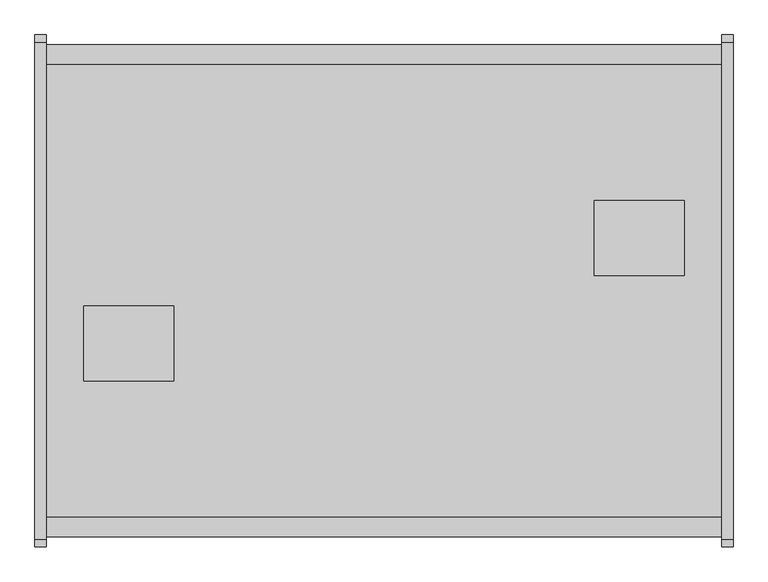
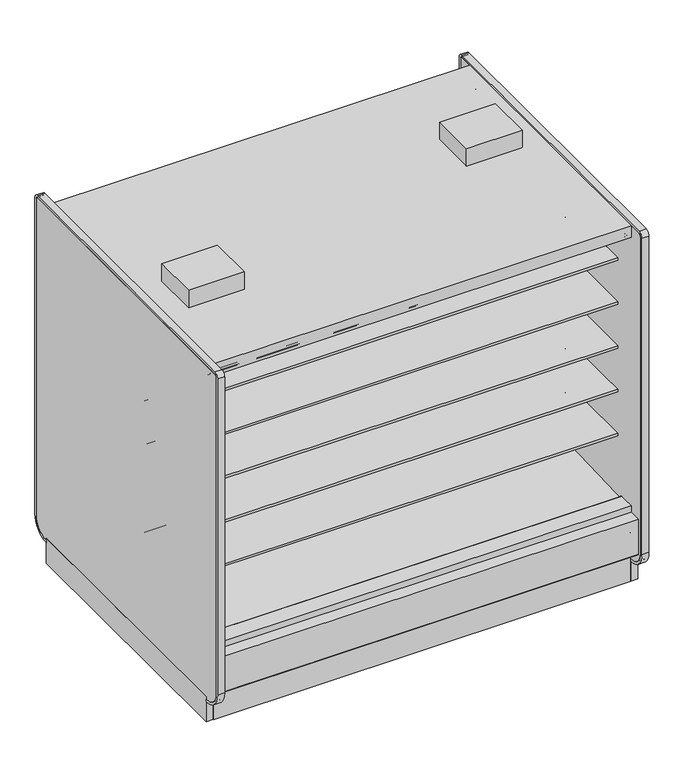
"""IFC4 building model written with IfcOpenShell, lengths in millimetres: proxy geometry."""

from ifc_helpers import new_model, si_unit, point, frame, frame_2d, origin, origin_with_axes, place, context, project, spatial, polyline, circle_curve, trimmed, segment, composite_curve, outline, extrude, source, transform, mapped, element, save
from ifc_brep_helpers import plane_surface, revolved_surface, advanced_brep


def mechanical_equipment_ee89954a(model_context):
    return source(origin(), model_context, "Body", "SolidModel", [
        extrude(outline(polyline([(0.0, -55.2269619), (0.0, 0.0), (2286.0, 0.0), (2286.0, -55.2269619), (0.0, -55.2269619)])), frame((2286.0, 269.4010876, 1960.5227388), z_axis=(0.0, -0.08121412725315148, 0.9966966767951566), x_axis=(-1.0, 0.0, 0.0)), (0.0, 0.0, 1.0), 9.7968943),
        extrude(outline(polyline([(0.0, -55.226962), (0.0, 0.0), (2286.0, 0.0), (2286.0, -55.226962), (0.0, -55.226962)])), frame((2286.0, -1070.8468716, 1965.0079483), z_axis=(0.0, 0.08121412725315148, 0.9966966767951566), x_axis=(-1.0, 0.0, 0.0)), (0.0, 0.0, 1.0), 9.7968943),
        extrude(outline(polyline([(-1113.7914467, 0.0), (-1132.0256273, 0.0), (-1132.0256273, 208.2950835), (-1113.7914467, 192.9947894), (-1113.7914467, 0.0)])), frame((0.0, 0.0, 0.0), z_axis=(1.0, 0.0, 0.0), x_axis=(0.0, 1.0, 0.0)), (0.0, 0.0, 1.0), 2286.0),
        extrude(outline(polyline([(367.3901921, 0.0), (367.3901921, 192.9947894), (385.6243727, 208.2950835), (385.6243727, 0.0), (367.3901921, 0.0)])), frame((0.0, 0.0, 0.0), z_axis=(1.0, 0.0, 0.0), x_axis=(0.0, 1.0, 0.0)), (0.0, 0.0, 1.0), 2286.0),
        extrude(outline(composite_curve([segment(polyline([(-292.5492106, 1191.008004), (-292.5492106, 1291.8182795), (266.2507894, 1291.8182795), (266.2507894, 1278.3245295), (145.7947875, 1278.3245295), (145.7947875, 1274.0402031), (-193.6128858, 1241.429713)]), True, "CONTINUOUS"), segment(trimmed(circle_curve(frame_2d((-186.7598764, 1178.3005893)), 63.5), [point((-193.6128858, 1241.429713))], [point((-226.8243495, 1227.5660741))], True, "CARTESIAN"), True, "CONTINUOUS"), segment(polyline([(-226.8243495, 1227.5660741), (-265.0460501, 1196.4828055)]), True, "CONTINUOUS"), segment(trimmed(circle_curve(frame_2d((-280.9533727, 1215.8477147)), 25.0607786), [point((-265.0460501, 1196.4828055))], [point((-281.4413184, 1190.7916869))], False, "CARTESIAN"), True, "CONTINUOUS"), segment(polyline([(-281.4413184, 1190.7916869), (-292.5492106, 1191.008004)]), True, "CONTINUOUS")], self_intersect=False)), frame((0.0, 0.0, 0.0), z_axis=(1.0, 0.0, 0.0), x_axis=(0.0, 1.0, 0.0)), (0.0, 0.0, 1.0), 2286.0),
        extrude(outline(composite_curve([segment(polyline([(-292.5492106, 1699.008004), (-292.5492106, 1799.8182795), (266.2507894, 1799.8182795), (266.2507894, 1786.3245295), (145.7947875, 1786.3245295), (145.7947875, 1782.0402031), (-193.6128858, 1749.429713)]), True, "CONTINUOUS"), segment(trimmed(circle_curve(frame_2d((-186.7598764, 1686.3005893)), 63.5), [point((-193.6128858, 1749.429713))], [point((-226.8243495, 1735.5660741))], True, "CARTESIAN"), True, "CONTINUOUS"), segment(polyline([(-226.8243495, 1735.5660741), (-265.0460501, 1704.4828055)]), True, "CONTINUOUS"), segment(trimmed(circle_curve(frame_2d((-280.9533727, 1723.8477147)), 25.0607786), [point((-265.0460501, 1704.4828055))], [point((-281.4413184, 1698.7916869))], False, "CARTESIAN"), True, "CONTINUOUS"), segment(polyline([(-281.4413184, 1698.7916869), (-292.5492106, 1699.008004)]), True, "CONTINUOUS")], self_intersect=False)), frame((0.0, 0.0, 0.0), z_axis=(1.0, 0.0, 0.0), x_axis=(0.0, 1.0, 0.0)), (0.0, 0.0, 1.0), 2286.0),
        extrude(outline(composite_curve([segment(polyline([(-292.5492106, 937.4028663), (-292.5492106, 1038.2131418), (266.2507894, 1038.2131418), (266.2507894, 1024.7193918), (145.7947875, 1024.7193918), (145.7947875, 1020.4350654), (-193.6128858, 987.8245753)]), True, "CONTINUOUS"), segment(trimmed(circle_curve(frame_2d((-186.7598764, 924.6954515)), 63.5), [point((-193.6128858, 987.8245753))], [point((-226.8243495, 973.9609363))], True, "CARTESIAN"), True, "CONTINUOUS"), segment(polyline([(-226.8243495, 973.9609363), (-265.0460501, 942.8776678)]), True, "CONTINUOUS"), segment(trimmed(circle_curve(frame_2d((-280.9533727, 962.242577)), 25.0607786), [point((-265.0460501, 942.8776678))], [point((-281.4413184, 937.1865491))], False, "CARTESIAN"), True, "CONTINUOUS"), segment(polyline([(-281.4413184, 937.1865491), (-292.5492106, 937.4028663)]), True, "CONTINUOUS")], self_intersect=False)), frame((0.0, 0.0, 0.0), z_axis=(1.0, 0.0, 0.0), x_axis=(0.0, 1.0, 0.0)), (0.0, 0.0, 1.0), 2286.0),
        extrude(outline(composite_curve([segment(polyline([(-292.5492106, 1445.008004), (-292.5492106, 1545.8182795), (266.2507894, 1545.8182795), (266.2507894, 1532.3245295), (145.7947875, 1532.3245295), (145.7947875, 1528.0402031), (-193.6128858, 1495.429713)]), True, "CONTINUOUS"), segment(trimmed(circle_curve(frame_2d((-186.7598764, 1432.3005893)), 63.5), [point((-193.6128858, 1495.429713))], [point((-226.8243495, 1481.5660741))], True, "CARTESIAN"), True, "CONTINUOUS"), segment(polyline([(-226.8243495, 1481.5660741), (-265.0460501, 1450.4828055)]), True, "CONTINUOUS"), segment(trimmed(circle_curve(frame_2d((-280.9533727, 1469.8477147)), 25.0607786), [point((-265.0460501, 1450.4828055))], [point((-281.4413184, 1444.7916869))], False, "CARTESIAN"), True, "CONTINUOUS"), segment(polyline([(-281.4413184, 1444.7916869), (-292.5492106, 1445.008004)]), True, "CONTINUOUS")], self_intersect=False)), frame((0.0, 0.0, 0.0), z_axis=(1.0, 0.0, 0.0), x_axis=(0.0, 1.0, 0.0)), (0.0, 0.0, 1.0), 2286.0),
        extrude(outline(composite_curve([segment(polyline([(-292.5492106, 683.008004), (-292.5492106, 783.8182795), (266.2507894, 783.8182795), (266.2507894, 770.3245295), (145.7947875, 770.3245295), (145.7947875, 766.0402031), (-193.6128858, 733.429713)]), True, "CONTINUOUS"), segment(trimmed(circle_curve(frame_2d((-186.7598764, 670.3005893)), 63.5), [point((-193.6128858, 733.429713))], [point((-226.8243495, 719.5660741))], True, "CARTESIAN"), True, "CONTINUOUS"), segment(polyline([(-226.8243495, 719.5660741), (-265.0460501, 688.4828055)]), True, "CONTINUOUS"), segment(trimmed(circle_curve(frame_2d((-280.9533727, 707.8477147)), 25.0607786), [point((-265.0460501, 688.4828055))], [point((-281.4413184, 682.7916869))], False, "CARTESIAN"), True, "CONTINUOUS"), segment(polyline([(-281.4413184, 682.7916869), (-292.5492106, 683.008004)]), True, "CONTINUOUS")], self_intersect=False)), frame((0.0, 0.0, 0.0), z_axis=(1.0, 0.0, 0.0), x_axis=(0.0, 1.0, 0.0)), (0.0, 0.0, 1.0), 2286.0),
        extrude(outline(composite_curve([segment(polyline([(-453.852044, 1191.008004), (-464.9599362, 1190.7916869)]), True, "CONTINUOUS"), segment(trimmed(circle_curve(frame_2d((-465.4478819, 1215.8477147)), 25.0607786), [point((-464.9599362, 1190.7916869))], [point((-481.3552045, 1196.4828055))], False, "CARTESIAN"), True, "CONTINUOUS"), segment(polyline([(-481.3552045, 1196.4828055), (-519.5769051, 1227.5660741)]), True, "CONTINUOUS"), segment(trimmed(circle_curve(frame_2d((-559.6413782, 1178.3005893)), 63.5), [point((-519.5769051, 1227.5660741))], [point((-552.7883688, 1241.429713))], True, "CARTESIAN"), True, "CONTINUOUS"), segment(polyline([(-552.7883688, 1241.429713), (-892.1960421, 1274.0402031), (-892.1960421, 1278.3245295), (-1012.652044, 1278.3245295), (-1012.652044, 1291.8182795), (-453.852044, 1291.8182795), (-453.852044, 1191.008004)]), True, "CONTINUOUS")], self_intersect=False)), frame((0.0, 0.0, 0.0), z_axis=(1.0, 0.0, 0.0), x_axis=(0.0, 1.0, 0.0)), (0.0, 0.0, 1.0), 2286.0),
        extrude(outline(composite_curve([segment(polyline([(-453.852044, 1699.008004), (-464.9599362, 1698.7916869)]), True, "CONTINUOUS"), segment(trimmed(circle_curve(frame_2d((-465.4478819, 1723.8477147)), 25.0607786), [point((-464.9599362, 1698.7916869))], [point((-481.3552045, 1704.4828055))], False, "CARTESIAN"), True, "CONTINUOUS"), segment(polyline([(-481.3552045, 1704.4828055), (-519.5769051, 1735.5660741)]), True, "CONTINUOUS"), segment(trimmed(circle_curve(frame_2d((-559.6413782, 1686.3005893)), 63.5), [point((-519.5769051, 1735.5660741))], [point((-552.7883688, 1749.429713))], True, "CARTESIAN"), True, "CONTINUOUS"), segment(polyline([(-552.7883688, 1749.429713), (-892.1960421, 1782.0402031), (-892.1960421, 1786.3245295), (-1012.652044, 1786.3245295), (-1012.652044, 1799.8182795), (-453.852044, 1799.8182795), (-453.852044, 1699.008004)]), True, "CONTINUOUS")], self_intersect=False)), frame((0.0, 0.0, 0.0), z_axis=(1.0, 0.0, 0.0), x_axis=(0.0, 1.0, 0.0)), (0.0, 0.0, 1.0), 2286.0),
        extrude(outline(composite_curve([segment(polyline([(-453.852044, 937.4028663), (-464.9599362, 937.1865491)]), True, "CONTINUOUS"), segment(trimmed(circle_curve(frame_2d((-465.4478819, 962.242577)), 25.0607786), [point((-464.9599362, 937.1865491))], [point((-481.3552045, 942.8776678))], False, "CARTESIAN"), True, "CONTINUOUS"), segment(polyline([(-481.3552045, 942.8776678), (-519.5769051, 973.9609363)]), True, "CONTINUOUS"), segment(trimmed(circle_curve(frame_2d((-559.6413782, 924.6954515)), 63.5), [point((-519.5769051, 973.9609363))], [point((-552.7883688, 987.8245753))], True, "CARTESIAN"), True, "CONTINUOUS"), segment(polyline([(-552.7883688, 987.8245753), (-892.1960421, 1020.4350654), (-892.1960421, 1024.7193918), (-1012.652044, 1024.7193918), (-1012.652044, 1038.2131418), (-453.852044, 1038.2131418), (-453.852044, 937.4028663)]), True, "CONTINUOUS")], self_intersect=False)), frame((0.0, 0.0, 0.0), z_axis=(1.0, 0.0, 0.0), x_axis=(0.0, 1.0, 0.0)), (0.0, 0.0, 1.0), 2286.0),
        extrude(outline(composite_curve([segment(polyline([(-453.852044, 1445.008004), (-464.9599362, 1444.7916869)]), True, "CONTINUOUS"), segment(trimmed(circle_curve(frame_2d((-465.4478819, 1469.8477147)), 25.0607786), [point((-464.9599362, 1444.7916869))], [point((-481.3552045, 1450.4828055))], False, "CARTESIAN"), True, "CONTINUOUS"), segment(polyline([(-481.3552045, 1450.4828055), (-519.5769051, 1481.5660741)]), True, "CONTINUOUS"), segment(trimmed(circle_curve(frame_2d((-559.6413782, 1432.3005893)), 63.5), [point((-519.5769051, 1481.5660741))], [point((-552.7883688, 1495.429713))], True, "CARTESIAN"), True, "CONTINUOUS"), segment(polyline([(-552.7883688, 1495.429713), (-892.1960421, 1528.0402031), (-892.1960421, 1532.3245295), (-1012.652044, 1532.3245295), (-1012.652044, 1545.8182795), (-453.852044, 1545.8182795), (-453.852044, 1445.008004)]), True, "CONTINUOUS")], self_intersect=False)), frame((0.0, 0.0, 0.0), z_axis=(1.0, 0.0, 0.0), x_axis=(0.0, 1.0, 0.0)), (0.0, 0.0, 1.0), 2286.0),
        extrude(outline(polyline([(127.0, -678.0076294), (127.0, -424.0076294), (431.8, -424.0076294), (431.8, -678.0076294), (127.0, -678.0076294)])), frame((0.0, 0.0, 2064.6129579), z_axis=(0.0, 0.0, 1.0), x_axis=(1.0, 0.0, 0.0)), (0.0, 0.0, 1.0), 100.3101563),
        extrude(outline(polyline([(2159.0, -68.4076294), (2159.0, -322.4076294), (1854.2, -322.4076294), (1854.2, -68.4076294), (2159.0, -68.4076294)])), frame((0.0, 0.0, 2064.6129579), z_axis=(0.0, 0.0, 1.0), x_axis=(1.0, 0.0, 0.0)), (0.0, 0.0, 1.0), 100.3101563),
        extrude(outline(composite_curve([segment(polyline([(-113.5046773, 1969.4201079), (-292.5492106, 1969.4201079), (-292.5492106, 445.9092331), (-344.0537782, 445.9092331), (-344.0537782, 1994.8201079), (357.6691327, 1994.8201079), (357.6691327, 1988.6654182)]), True, "CONTINUOUS"), segment(trimmed(circle_curve(frame_2d((355.1291327, 1988.6654182)), 2.54), [point((357.6691327, 1988.6654182))], [point((355.1291327, 1986.1254182))], False, "CARTESIAN"), True, "CONTINUOUS"), segment(polyline([(355.1291327, 1986.1254182), (341.1591327, 1986.1254182)]), True, "CONTINUOUS"), segment(trimmed(circle_curve(frame_2d((341.1591327, 1983.5854182)), 2.54), [point((341.1591327, 1986.1254182))], [point((338.6191327, 1983.5854182))], True, "CARTESIAN"), True, "CONTINUOUS"), segment(polyline([(338.6191327, 1983.5854182), (338.6191327, 1967.9723079)]), True, "CONTINUOUS"), segment(trimmed(circle_curve(frame_2d((336.0791327, 1967.9723079)), 2.54), [point((338.6191327, 1967.9723079))], [point((336.0791327, 1965.4323079))], False, "CARTESIAN"), True, "CONTINUOUS"), segment(polyline([(336.0791327, 1965.4323079), (326.8589327, 1965.4323079)]), True, "CONTINUOUS"), segment(trimmed(circle_curve(frame_2d((326.8589327, 1967.9723079)), 2.54), [point((326.8589327, 1965.4323079))], [point((324.3189327, 1967.9723079))], False, "CARTESIAN"), True, "CONTINUOUS"), segment(polyline([(324.3189327, 1967.9723079), (324.3189327, 1975.6233702), (268.3517007, 1971.0629758), (268.3793925, 1969.4201079), (-113.5046773, 1969.4201079)]), True, "CONTINUOUS")], self_intersect=False)), frame((0.0, 0.0, 0.0), z_axis=(1.0, 0.0, 0.0), x_axis=(0.0, 1.0, 0.0)), (0.0, 0.0, 1.0), 2286.0),
        extrude(outline(composite_curve([segment(polyline([(-292.5492106, 445.9092331), (298.0007894, 423.8521774), (298.0007894, 439.1279)]), True, "CONTINUOUS"), segment(trimmed(circle_curve(frame_2d((300.0581894, 439.1279)), 2.0574), [point((298.0007894, 439.1279))], [point((300.0581894, 441.1853))], False, "CARTESIAN"), True, "CONTINUOUS"), segment(polyline([(300.0581894, 441.1853), (392.3576928, 441.1853), (392.3576928, 284.6079278), (278.9642261, 189.4595117), (263.4186894, 190.0023738), (218.0664947, 157.1934642), (153.5641842, 159.4459345), (113.4809582, 192.9404113), (-344.0537782, 220.4377575), (-344.0537782, 445.9092331), (-292.5492106, 445.9092331)]), True, "CONTINUOUS")], self_intersect=False)), frame((0.0, 0.0, 0.0), z_axis=(1.0, 0.0, 0.0), x_axis=(0.0, 1.0, 0.0)), (0.0, 0.0, 1.0), 2286.0),
        extrude(outline(composite_curve([segment(polyline([(-453.852044, 683.008004), (-464.9599362, 682.7916869)]), True, "CONTINUOUS"), segment(trimmed(circle_curve(frame_2d((-465.4478819, 707.8477147)), 25.0607786), [point((-464.9599362, 682.7916869))], [point((-481.3552045, 688.4828055))], False, "CARTESIAN"), True, "CONTINUOUS"), segment(polyline([(-481.3552045, 688.4828055), (-519.5769051, 719.5660741)]), True, "CONTINUOUS"), segment(trimmed(circle_curve(frame_2d((-559.6413782, 670.3005893)), 63.5), [point((-519.5769051, 719.5660741))], [point((-552.7883688, 733.429713))], True, "CARTESIAN"), True, "CONTINUOUS"), segment(polyline([(-552.7883688, 733.429713), (-892.1960421, 766.0402031), (-892.1960421, 770.3245295), (-1012.652044, 770.3245295), (-1012.652044, 783.8182795), (-453.852044, 783.8182795), (-453.852044, 683.008004)]), True, "CONTINUOUS")], self_intersect=False)), frame((0.0, 0.0, 0.0), z_axis=(1.0, 0.0, 0.0), x_axis=(0.0, 1.0, 0.0)), (0.0, 0.0, 1.0), 2286.0),
        extrude(outline(composite_curve([segment(trimmed(circle_curve(frame_2d((-1200.2881273, 201.3982889)), 6.35), [point((-1197.1139382, 195.8985595))], [point((-1206.6381273, 201.3982889))], False, "CARTESIAN"), True, "CONTINUOUS"), segment(polyline([(-1206.6381273, 201.3982889), (-1206.6381273, 404.6728), (-1138.7589474, 404.6728), (-1138.7589474, 391.9982), (-1189.8487273, 391.9982), (-1189.8487273, 256.8144254), (-1149.7974725, 223.2074323), (-1197.1139382, 195.8985595)]), True, "CONTINUOUS")], self_intersect=False)), frame((0.0, 0.0, 0.0), z_axis=(1.0, 0.0, 0.0), x_axis=(0.0, 1.0, 0.0)), (0.0, 0.0, 1.0), 2286.0),
        extrude(outline(composite_curve([segment(polyline([(450.7126836, 195.8985595), (403.3962179, 223.2074323), (443.4474727, 256.8144254), (443.4474727, 391.9982), (392.3576928, 391.9982), (392.3576928, 404.6728), (460.2368727, 404.6728), (460.2368727, 201.3982889)]), True, "CONTINUOUS"), segment(trimmed(circle_curve(frame_2d((453.8868727, 201.3982889)), 6.35), [point((460.2368727, 201.3982889))], [point((450.7126836, 195.8985595))], False, "CARTESIAN"), True, "CONTINUOUS")], self_intersect=False)), frame((0.0, 0.0, 0.0), z_axis=(1.0, 0.0, 0.0), x_axis=(0.0, 1.0, 0.0)), (0.0, 0.0, 1.0), 2286.0),
        extrude(outline(polyline([(-1039.3495247, 130.5306), (-1189.8487273, 256.8144254), (-1189.8487273, 391.9982), (-1138.7589474, 391.9982), (-1138.7589474, 284.6079278), (-1025.3654807, 189.4595117), (-1009.819944, 190.0023738), (-964.4677493, 157.1934642), (-899.9654388, 159.4459345), (-859.8822128, 192.9404113), (-402.3474764, 220.4377575), (-402.3474764, 1994.8201079), (-1138.7589474, 1994.8201079), (-1138.7589474, 2063.8192079), (392.3576928, 2063.8192079), (392.3576928, 1994.8201079), (-344.0537782, 1994.8201079), (-344.0537782, 220.4377575), (113.4809582, 192.9404113), (153.5641842, 159.4459345), (218.0664947, 157.1934642), (263.4186894, 190.0023738), (278.9642261, 189.4595117), (392.3576928, 284.6079278), (392.3576928, 391.9982), (443.4474727, 391.9982), (443.4474727, 256.8144254), (292.9482701, 130.5306), (-1039.3495247, 130.5306)])), frame((0.0, 0.0, 0.0), z_axis=(1.0, 0.0, 0.0), x_axis=(0.0, 1.0, 0.0)), (0.0, 0.0, 1.0), 2286.0),
        extrude(outline(composite_curve([segment(polyline([(-632.8965773, 1969.4201079), (-1014.7806471, 1969.4201079), (-1014.7529553, 1971.0629758), (-1070.7201873, 1975.6233702), (-1070.7201873, 1967.9723079)]), True, "CONTINUOUS"), segment(trimmed(circle_curve(frame_2d((-1073.2601873, 1967.9723079)), 2.54), [point((-1070.7201873, 1967.9723079))], [point((-1073.2601873, 1965.4323079))], False, "CARTESIAN"), True, "CONTINUOUS"), segment(polyline([(-1073.2601873, 1965.4323079), (-1082.4803873, 1965.4323079)]), True, "CONTINUOUS"), segment(trimmed(circle_curve(frame_2d((-1082.4803873, 1967.9723079)), 2.54), [point((-1082.4803873, 1965.4323079))], [point((-1085.0203873, 1967.9723079))], False, "CARTESIAN"), True, "CONTINUOUS"), segment(polyline([(-1085.0203873, 1967.9723079), (-1085.0203873, 1983.3544856)]), True, "CONTINUOUS"), segment(trimmed(circle_curve(frame_2d((-1087.5603873, 1983.3544856)), 2.54), [point((-1085.0203873, 1983.3544856))], [point((-1087.5603873, 1985.8944856))], True, "CARTESIAN"), True, "CONTINUOUS"), segment(polyline([(-1087.5603873, 1985.8944856), (-1101.5303873, 1985.8944856)]), True, "CONTINUOUS"), segment(trimmed(circle_curve(frame_2d((-1101.5303873, 1988.4344856)), 2.54), [point((-1101.5303873, 1985.8944856))], [point((-1104.0703873, 1988.4344856))], False, "CARTESIAN"), True, "CONTINUOUS"), segment(polyline([(-1104.0703873, 1988.4344856), (-1104.0703873, 1994.8201079), (-402.3474764, 1994.8201079), (-402.3474764, 445.9092331), (-453.852044, 445.9092331), (-453.852044, 1969.4201079), (-632.8965773, 1969.4201079)]), True, "CONTINUOUS")], self_intersect=False)), frame((0.0, 0.0, 0.0), z_axis=(1.0, 0.0, 0.0), x_axis=(0.0, 1.0, 0.0)), (0.0, 0.0, 1.0), 2286.0),
        advanced_brep(
        [(2286.0, -1113.7914467, 192.9947894), (2286.0, -1113.7914467, 0.0), (2286.0, -967.2684832, 0.0), (2286.0, -967.2684832, 130.5306), (2286.0, -1039.3495247, 130.5306), (0.0, -1113.7914467, 192.9947894), (0.0, -1039.3495247, 130.5306), (0.0, -967.2684832, 130.5306), (0.0, -967.2684832, 0.0), (0.0, -1113.7914467, 0.0), (245.6409893, -1113.7914467, 0.0), (245.6409893, -1113.7914467, 50.8), (466.3154811, -1113.7914467, 50.8), (466.3154811, -1113.7914467, 0.0), (466.3154811, -1038.8597182, 0.0), (245.6409893, -1038.8597182, 0.0), (1102.6679654, -967.2684832, 0.0), (1183.3320346, -967.2684832, 0.0), (2022.7614416, -967.2684832, 0.0), (2107.9135584, -967.2684832, 0.0), (2107.9135584, -967.2684832, 127.0), (2022.7614416, -967.2684832, 127.0), (1183.3320346, -967.2684832, 127.0), (1102.6679654, -967.2684832, 127.0), (466.3154811, -1038.8597182, 50.8), (245.6409893, -1038.8597182, 50.8)],
        [
            (0, 1),
            (1, 2),
            (2, 3),
            (3, 4),
            (4, 0),
            (5, 6),
            (6, 7),
            (7, 8),
            (8, 9),
            (9, 5),
            (0, 5),
            (9, 10),
            (10, 11),
            (11, 12),
            (12, 13),
            (13, 1),
            (13, 14),
            (14, 15),
            (15, 10),
            (8, 16),
            (16, 17, circle_curve(frame((1143.0, -936.3821273, 0.0), z_axis=(0.0, 0.0, 1.0), x_axis=(1.0, 0.0, 0.0)), 50.8)),
            (17, 18),
            (18, 19, circle_curve(frame((2065.3375, -939.5571273, 0.0), z_axis=(0.0, 0.0, 1.0), x_axis=(1.0, 0.0, 0.0)), 50.8)),
            (19, 2),
            (19, 20),
            (20, 21),
            (21, 18),
            (17, 22),
            (22, 23),
            (23, 16),
            (7, 3),
            (6, 4),
            (12, 24),
            (24, 14),
            (15, 25),
            (25, 11),
            (24, 25),
            (22, 23, circle_curve(frame((1143.0, -936.3821273, 127.0), z_axis=(0.0, 0.0, -1.0), x_axis=(1.0, 0.0, 0.0)), 50.8)),
            (20, 21, circle_curve(frame((2065.3375, -939.5571273, 127.0), z_axis=(0.0, 0.0, -1.0), x_axis=(1.0, 0.0, 0.0)), 50.8)),
        ],
        [
            plane_surface(frame((2286.0, -1113.7914467, 0.0), z_axis=(1.0, 0.0, 0.0), x_axis=(0.0, 0.0, -1.0))),
            plane_surface(frame((0.0, -1113.7914467, 0.0), z_axis=(-1.0, 0.0, 0.0), x_axis=(0.0, 0.0, 1.0))),
            plane_surface(frame((2286.0, -1113.7914467, 192.9947894), z_axis=(0.0, -1.0, 0.0), x_axis=(-1.0, 0.0, 0.0))),
            plane_surface(frame((2286.0, -1113.7914467, 0.0), z_axis=(0.0, 0.0, -1.0), x_axis=(-1.0, 0.0, 0.0))),
            plane_surface(frame((2286.0, -967.2684832, 0.0), z_axis=(0.0, 1.0, 0.0), x_axis=(-1.0, 0.0, 0.0))),
            plane_surface(frame((2286.0, -967.2684832, 130.5306), z_axis=(0.0, 0.0, 1.0), x_axis=(-1.0, 0.0, 0.0))),
            plane_surface(frame((2286.0, -1039.3495247, 130.5306), z_axis=(0.0, 0.6427876096877102, 0.7660444431179956), x_axis=(-1.0, 0.0, 0.0))),
            plane_surface(frame((466.3154811, -1038.8597182, 0.0), z_axis=(-1.0, 0.0, 0.0), x_axis=(0.0, 1.0, 0.0))),
            plane_surface(frame((245.6409893, -1038.8597182, 0.0), z_axis=(1.0, 0.0, 0.0), x_axis=(0.0, -1.0, 0.0))),
            plane_surface(frame((466.3154811, -1038.8597182, 0.0), z_axis=(0.0, -1.0, 0.0), x_axis=(-1.0, 0.0, 0.0))),
            plane_surface(frame((466.3154811, -1038.8597182, 50.8), z_axis=(0.0, 0.0, -1.0), x_axis=(-1.0, 0.0, 0.0))),
            plane_surface(frame((1193.8, -936.3821273, 127.0), z_axis=(0.0, 0.0, -1.0), x_axis=(0.0, 1.0, 0.0))),
            revolved_surface(polyline([(1193.8, -936.3821273, 127.0), (1193.8, -936.3821273, 0.0)]), (1143.0, -936.3821273, 0.0), (0.0, 0.0, 1.0)),
            plane_surface(frame((2116.1375, -939.5571273, 127.0), z_axis=(0.0, 0.0, -1.0), x_axis=(0.0, 1.0, 0.0))),
            revolved_surface(polyline([(2116.1375000000003, -939.5571273, 127.0), (2116.1375000000003, -939.5571273, 0.0)]), (2065.3375, -939.5571273, 0.0), (0.0, 0.0, 1.0)),
        ],
        [
            (0, [[1, 2, 3, 4, 5]]),
            (1, [[6, 7, 8, 9, 10]]),
            (2, [[-1, 11, -10, 12, 13, 14, 15, 16]]),
            (3, [[-2, -16, 17, 18, 19, -12, -9, 20, 21, 22, 23, 24]]),
            (4, [[-3, -24, 25, 26, 27, -22, 28, 29, 30, -20, -8, 31]]),
            (5, [[-4, -31, -7, 32]]),
            (6, [[-5, -32, -6, -11]]),
            (7, [[33, 34, -17, -15]]),
            (8, [[35, 36, -13, -19]]),
            (9, [[-34, 37, -35, -18]]),
            (10, [[-33, -14, -36, -37]]),
            (11, [[38, -29]]),
            (12, [[-38, -28, -21, -30]]),
            (13, [[39, -26]]),
            (14, [[-39, -25, -23, -27]]),
        ],
    ),
        advanced_brep(
        [(2286.0, 367.3901921, 192.9947894), (2286.0, 292.9482701, 130.5306), (2286.0, 220.8672286, 130.5306), (2286.0, 220.8672286, 0.0), (2286.0, 367.3901921, 0.0), (0.0, 367.3901921, 192.9947894), (0.0, 367.3901921, 0.0), (0.0, 220.8672286, 0.0), (0.0, 220.8672286, 130.5306), (0.0, 292.9482701, 130.5306), (1659.3590107, 367.3901921, 50.8), (1659.3590107, 292.4584636, 50.8), (1438.6845189, 292.4584636, 50.8), (1438.6845189, 367.3901921, 50.8), (1438.6845189, 292.4584636, 0.0), (1438.6845189, 367.3901921, 0.0), (1659.3590107, 292.4584636, 0.0), (1659.3590107, 367.3901921, 0.0), (178.0864416, 220.8672286, 127.0), (263.2385584, 220.8672286, 127.0), (178.0864416, 220.8672286, 0.0), (263.2385584, 220.8672286, 0.0), (1102.6679654, 220.8672286, 127.0), (1183.3320346, 220.8672286, 127.0), (1102.6679654, 220.8672286, 0.0), (1183.3320346, 220.8672286, 0.0)],
        [
            (0, 1),
            (1, 2),
            (2, 3),
            (3, 4),
            (4, 0),
            (5, 6),
            (6, 7),
            (7, 8),
            (8, 9),
            (9, 5),
            (10, 11),
            (11, 12),
            (12, 13),
            (13, 10),
            (12, 14),
            (14, 15),
            (15, 13),
            (11, 16),
            (16, 14),
            (10, 17),
            (17, 16),
            (18, 19, circle_curve(frame((220.6625, 193.1558727, 127.0), z_axis=(0.0, 0.0, -1.0), x_axis=(-1.0, 0.0, 0.0)), 50.8)),
            (19, 18),
            (18, 20),
            (20, 21, circle_curve(frame((220.6625, 193.1558727, 0.0), z_axis=(0.0, 0.0, -1.0), x_axis=(-1.0, 0.0, 0.0)), 50.8)),
            (21, 19),
            (22, 23, circle_curve(frame((1143.0, 189.9808727, 127.0), z_axis=(0.0, 0.0, -1.0), x_axis=(1.0, 0.0, 0.0)), 50.8)),
            (23, 22),
            (22, 24),
            (24, 25, circle_curve(frame((1143.0, 189.9808727, 0.0), z_axis=(0.0, 0.0, -1.0), x_axis=(1.0, 0.0, 0.0)), 50.8)),
            (25, 23),
            (0, 5),
            (9, 1),
            (8, 2),
            (7, 20),
            (21, 24),
            (25, 3),
            (6, 15),
            (17, 4),
        ],
        [
            plane_surface(frame((2286.0, -1113.7914467, 0.0), z_axis=(1.0, 0.0, 0.0), x_axis=(0.0, 0.0, -1.0))),
            plane_surface(frame((0.0, -1113.7914467, 0.0), z_axis=(-1.0, 0.0, 0.0), x_axis=(0.0, 0.0, 1.0))),
            plane_surface(frame((1438.6845189, 367.3901921, 50.8), z_axis=(0.0, 0.0, -1.0), x_axis=(0.0, -1.0, 0.0))),
            plane_surface(frame((1438.6845189, 367.3901921, 50.8), z_axis=(1.0, 0.0, 0.0), x_axis=(0.0, 0.0, -1.0))),
            plane_surface(frame((1438.6845189, 292.4584636, 50.8), z_axis=(0.0, 1.0, 0.0), x_axis=(0.0, 0.0, -1.0))),
            plane_surface(frame((1659.3590107, 292.4584636, 50.8), z_axis=(-1.0, 0.0, 0.0), x_axis=(0.0, 0.0, -1.0))),
            plane_surface(frame((169.8625, 193.1558727, 127.0), z_axis=(0.0, 0.0, -1.0), x_axis=(0.0, -1.0, 0.0))),
            revolved_surface(polyline([(169.8625, 193.1558727, 127.0), (169.8625, 193.1558727, 0.0)]), (220.6625, 193.1558727, 0.0), (0.0, 0.0, 1.0)),
            plane_surface(frame((1193.8, 189.9808727, 127.0), z_axis=(0.0, 0.0, -1.0), x_axis=(0.0, 1.0, 0.0))),
            revolved_surface(polyline([(1193.8, 189.9808727, 127.0), (1193.8, 189.9808727, 0.0)]), (1143.0, 189.9808727, 0.0), (0.0, 0.0, 1.0)),
            plane_surface(frame((2286.0, 367.3901921, 192.9947894), z_axis=(0.0, -0.6427876096877103, 0.7660444431179955), x_axis=(-1.0, 0.0, 0.0))),
            plane_surface(frame((2286.0, 292.9482701, 130.5306), z_axis=(0.0, 0.0, 1.0), x_axis=(-1.0, 0.0, 0.0))),
            plane_surface(frame((2286.0, 220.8672286, 130.5306), z_axis=(0.0, -1.0, 0.0), x_axis=(-1.0, 0.0, 0.0))),
            plane_surface(frame((2286.0, 220.8672286, 0.0), z_axis=(0.0, 0.0, -1.0), x_axis=(-1.0, 0.0, 0.0))),
            plane_surface(frame((2286.0, 367.3901921, 0.0), z_axis=(0.0, 1.0, 0.0), x_axis=(-1.0, 0.0, 0.0))),
        ],
        [
            (0, [[1, 2, 3, 4, 5]]),
            (1, [[6, 7, 8, 9, 10]]),
            (2, [[11, 12, 13, 14]]),
            (3, [[-13, 15, 16, 17]]),
            (4, [[-12, 18, 19, -15]]),
            (5, [[-11, 20, 21, -18]]),
            (6, [[22, 23]]),
            (7, [[-22, 24, 25, 26]]),
            (8, [[27, 28]]),
            (9, [[-27, 29, 30, 31]]),
            (10, [[-1, 32, -10, 33]]),
            (11, [[-2, -33, -9, 34]]),
            (12, [[-3, -34, -8, 35, -24, -23, -26, 36, -29, -28, -31, 37]]),
            (13, [[-4, -37, -30, -36, -25, -35, -7, 38, -16, -19, -21, 39]]),
            (14, [[-5, -39, -20, -14, -17, -38, -6, -32]]),
        ],
    ),
        advanced_brep(
        [(2286.0, -967.2684832, 0.0), (2286.0, -921.3326273, 0.0), (2286.0, -921.3326273, 74.8810382), (2286.0, 174.9313727, 74.8810382), (2286.0, 174.9313727, 0.0), (2286.0, 220.8672286, 0.0), (2286.0, 220.8672286, 130.5306), (2286.0, -967.2684832, 130.5306), (0.0, -967.2684832, 0.0), (0.0, -967.2684832, 130.5306), (0.0, 220.8672286, 130.5306), (0.0, 220.8672286, 0.0), (0.0, 174.9313727, 0.0), (0.0, 174.9313727, 74.8810382), (0.0, -921.3326273, 74.8810382), (0.0, -921.3326273, 0.0), (1102.6679654, -967.2684832, 0.0), (1102.6679654, -967.2684832, 127.0), (1183.3320346, -967.2684832, 127.0), (1183.3320346, -967.2684832, 0.0), (2022.7614416, -967.2684832, 0.0), (2022.7614416, -967.2684832, 127.0), (2107.9135584, -967.2684832, 127.0), (2107.9135584, -967.2684832, 0.0), (2116.1375, -939.5571273, 0.0), (2112.755931, -921.3326273, 0.0), (1094.48039, -921.3326273, 0.0), (1092.2, -936.3821273, 0.0), (1193.8, -936.3821273, 0.0), (1191.51961, -921.3326273, 0.0), (2017.919069, -921.3326273, 0.0), (2014.5375, -939.5571273, 0.0), (2112.755931, -921.3326273, 74.8810382), (1094.48039, -921.3326273, 74.8810382), (1191.51961, -921.3326273, 74.8810382), (2017.919069, -921.3326273, 74.8810382), (173.244069, 174.9313727, 74.8810382), (268.080931, 174.9313727, 74.8810382), (1094.48039, 174.9313727, 74.8810382), (1191.51961, 174.9313727, 74.8810382), (1092.2, -936.3821273, 127.0), (1193.8, -936.3821273, 127.0), (2014.5375, -939.5571273, 127.0), (2116.1375, -939.5571273, 127.0), (1191.51961, 174.9313727, 0.0), (173.244069, 174.9313727, 0.0), (268.080931, 174.9313727, 0.0), (1094.48039, 174.9313727, 0.0), (1193.8, 189.9808727, 0.0), (1183.3320346, 220.8672286, 0.0), (178.0864416, 220.8672286, 0.0), (169.8625, 193.1558727, 0.0), (271.4625, 193.1558727, 0.0), (263.2385584, 220.8672286, 0.0), (1102.6679654, 220.8672286, 0.0), (1092.2, 189.9808727, 0.0), (1183.3320346, 220.8672286, 127.0), (1102.6679654, 220.8672286, 127.0), (263.2385584, 220.8672286, 127.0), (178.0864416, 220.8672286, 127.0), (271.4625, 193.1558727, 127.0), (169.8625, 193.1558727, 127.0), (1193.8, 189.9808727, 127.0), (1092.2, 189.9808727, 127.0)],
        [
            (0, 1),
            (1, 2),
            (2, 3),
            (3, 4),
            (4, 5),
            (5, 6),
            (6, 7),
            (7, 0),
            (8, 9),
            (9, 10),
            (10, 11),
            (11, 12),
            (12, 13),
            (13, 14),
            (14, 15),
            (15, 8),
            (6, 10),
            (9, 7),
            (8, 16),
            (16, 17),
            (17, 18),
            (18, 19),
            (19, 20),
            (20, 21),
            (21, 22),
            (22, 23),
            (23, 0),
            (23, 24, circle_curve(frame((2065.3375, -939.5571273, 0.0), z_axis=(0.0, 0.0, 1.0), x_axis=(1.0, 0.0, 0.0)), 50.8)),
            (24, 25, circle_curve(frame((2065.3375, -939.5571273, 0.0), z_axis=(0.0, 0.0, 1.0), x_axis=(1.0, 0.0, 0.0)), 50.8)),
            (25, 1),
            (15, 26),
            (26, 27, circle_curve(frame((1143.0, -936.3821273, 0.0), z_axis=(0.0, 0.0, 1.0), x_axis=(1.0, 0.0, 0.0)), 50.8)),
            (27, 16, circle_curve(frame((1143.0, -936.3821273, 0.0), z_axis=(0.0, 0.0, 1.0), x_axis=(1.0, 0.0, 0.0)), 50.8)),
            (19, 28, circle_curve(frame((1143.0, -936.3821273, 0.0), z_axis=(0.0, 0.0, 1.0), x_axis=(1.0, 0.0, 0.0)), 50.8)),
            (28, 29, circle_curve(frame((1143.0, -936.3821273, 0.0), z_axis=(0.0, 0.0, 1.0), x_axis=(1.0, 0.0, 0.0)), 50.8)),
            (29, 30),
            (30, 31, circle_curve(frame((2065.3375, -939.5571273, 0.0), z_axis=(0.0, 0.0, 1.0), x_axis=(1.0, 0.0, 0.0)), 50.8)),
            (31, 20, circle_curve(frame((2065.3375, -939.5571273, 0.0), z_axis=(0.0, 0.0, 1.0), x_axis=(1.0, 0.0, 0.0)), 50.8)),
            (25, 32),
            (32, 2),
            (14, 33),
            (33, 26),
            (29, 34),
            (34, 35),
            (35, 30),
            (32, 35, circle_curve(frame((2065.3375, -939.5571273, 74.8810382), z_axis=(0.0, 0.0, 1.0), x_axis=(1.0, 0.0, 0.0)), 50.8)),
            (34, 33, circle_curve(frame((1143.0, -936.3821273, 74.8810382), z_axis=(0.0, 0.0, 1.0), x_axis=(1.0, 0.0, 0.0)), 50.8)),
            (13, 36),
            (36, 37, circle_curve(frame((220.6625, 193.1558727, 74.8810382), z_axis=(0.0, 0.0, 1.0), x_axis=(-1.0, 0.0, 0.0)), 50.8)),
            (37, 38),
            (38, 39, circle_curve(frame((1143.0, 189.9808727, 74.8810382), z_axis=(0.0, 0.0, 1.0), x_axis=(1.0, 0.0, 0.0)), 50.8)),
            (39, 3),
            (40, 41, circle_curve(frame((1143.0, -936.3821273, 127.0), z_axis=(0.0, 0.0, -1.0), x_axis=(1.0, 0.0, 0.0)), 50.8)),
            (41, 18, circle_curve(frame((1143.0, -936.3821273, 127.0), z_axis=(0.0, 0.0, -1.0), x_axis=(1.0, 0.0, 0.0)), 50.8)),
            (17, 40, circle_curve(frame((1143.0, -936.3821273, 127.0), z_axis=(0.0, 0.0, -1.0), x_axis=(1.0, 0.0, 0.0)), 50.8)),
            (41, 28),
            (27, 40),
            (42, 43, circle_curve(frame((2065.3375, -939.5571273, 127.0), z_axis=(0.0, 0.0, -1.0), x_axis=(1.0, 0.0, 0.0)), 50.8)),
            (43, 22, circle_curve(frame((2065.3375, -939.5571273, 127.0), z_axis=(0.0, 0.0, -1.0), x_axis=(1.0, 0.0, 0.0)), 50.8)),
            (21, 42, circle_curve(frame((2065.3375, -939.5571273, 127.0), z_axis=(0.0, 0.0, -1.0), x_axis=(1.0, 0.0, 0.0)), 50.8)),
            (43, 24),
            (31, 42),
            (39, 44),
            (44, 4),
            (12, 45),
            (45, 36),
            (37, 46),
            (46, 47),
            (47, 38),
            (44, 48, circle_curve(frame((1143.0, 189.9808727, 0.0), z_axis=(0.0, 0.0, 1.0), x_axis=(1.0, 0.0, 0.0)), 50.8)),
            (48, 49, circle_curve(frame((1143.0, 189.9808727, 0.0), z_axis=(0.0, 0.0, 1.0), x_axis=(1.0, 0.0, 0.0)), 50.8)),
            (49, 5),
            (11, 50),
            (50, 51, circle_curve(frame((220.6625, 193.1558727, 0.0), z_axis=(0.0, 0.0, 1.0), x_axis=(-1.0, 0.0, 0.0)), 50.8)),
            (51, 45, circle_curve(frame((220.6625, 193.1558727, 0.0), z_axis=(0.0, 0.0, 1.0), x_axis=(-1.0, 0.0, 0.0)), 50.8)),
            (52, 53, circle_curve(frame((220.6625, 193.1558727, 0.0), z_axis=(0.0, 0.0, 1.0), x_axis=(-1.0, 0.0, 0.0)), 50.8)),
            (53, 54),
            (54, 55, circle_curve(frame((1143.0, 189.9808727, 0.0), z_axis=(0.0, 0.0, 1.0), x_axis=(1.0, 0.0, 0.0)), 50.8)),
            (55, 47, circle_curve(frame((1143.0, 189.9808727, 0.0), z_axis=(0.0, 0.0, 1.0), x_axis=(1.0, 0.0, 0.0)), 50.8)),
            (46, 52, circle_curve(frame((220.6625, 193.1558727, 0.0), z_axis=(0.0, 0.0, 1.0), x_axis=(-1.0, 0.0, 0.0)), 50.8)),
            (49, 56),
            (56, 57),
            (57, 54),
            (53, 58),
            (58, 59),
            (59, 50),
            (60, 61, circle_curve(frame((220.6625, 193.1558727, 127.0), z_axis=(0.0, 0.0, -1.0), x_axis=(-1.0, 0.0, 0.0)), 50.8)),
            (61, 59, circle_curve(frame((220.6625, 193.1558727, 127.0), z_axis=(0.0, 0.0, -1.0), x_axis=(-1.0, 0.0, 0.0)), 50.8)),
            (58, 60, circle_curve(frame((220.6625, 193.1558727, 127.0), z_axis=(0.0, 0.0, -1.0), x_axis=(-1.0, 0.0, 0.0)), 50.8)),
            (52, 60),
            (61, 51),
            (62, 63, circle_curve(frame((1143.0, 189.9808727, 127.0), z_axis=(0.0, 0.0, -1.0), x_axis=(1.0, 0.0, 0.0)), 50.8)),
            (63, 57, circle_curve(frame((1143.0, 189.9808727, 127.0), z_axis=(0.0, 0.0, -1.0), x_axis=(1.0, 0.0, 0.0)), 50.8)),
            (56, 62, circle_curve(frame((1143.0, 189.9808727, 127.0), z_axis=(0.0, 0.0, -1.0), x_axis=(1.0, 0.0, 0.0)), 50.8)),
            (48, 62),
            (63, 55),
        ],
        [
            plane_surface(frame((2286.0, -921.3326273, 0.0), z_axis=(1.0, 0.0, 0.0), x_axis=(0.0, 1.0, 0.0))),
            plane_surface(frame((0.0, -921.3326273, 0.0), z_axis=(-1.0, 0.0, 0.0), x_axis=(0.0, -1.0, 0.0))),
            plane_surface(frame((2286.0, 220.8672286, 130.5306), z_axis=(0.0, 0.0, 1.0), x_axis=(-1.0, 0.0, 0.0))),
            plane_surface(frame((2286.0, -967.2684832, 130.5306), z_axis=(0.0, -1.0, 0.0), x_axis=(-1.0, 0.0, 0.0))),
            plane_surface(frame((2286.0, -967.2684832, 0.0), z_axis=(0.0, 0.0, -1.0), x_axis=(-1.0, 0.0, 0.0))),
            plane_surface(frame((2286.0, -921.3326273, 0.0), z_axis=(0.0, 1.0, 0.0), x_axis=(-1.0, 0.0, 0.0))),
            plane_surface(frame((2286.0, -921.3326273, 74.8810382), z_axis=(0.0, 0.0, -1.0), x_axis=(-1.0, 0.0, 0.0))),
            plane_surface(frame((1193.8, -936.3821273, 127.0), z_axis=(0.0, 0.0, -1.0), x_axis=(0.0, 1.0, 0.0))),
            revolved_surface(polyline([(1193.8, -936.3821273, 127.0), (1193.8, -936.3821273, 0.0)]), (1143.0, -936.3821273, 0.0), (0.0, 0.0, 1.0)),
            plane_surface(frame((2116.1375, -939.5571273, 127.0), z_axis=(0.0, 0.0, -1.0), x_axis=(0.0, 1.0, 0.0))),
            revolved_surface(polyline([(2116.1375000000003, -939.5571273, 127.0), (2116.1375000000003, -939.5571273, 0.0)]), (2065.3375, -939.5571273, 0.0), (0.0, 0.0, 1.0)),
            plane_surface(frame((2286.0, 174.9313727, 74.8810382), z_axis=(0.0, -1.0, 0.0), x_axis=(-1.0, 0.0, 0.0))),
            plane_surface(frame((2286.0, 174.9313727, 0.0), z_axis=(0.0, 0.0, -1.0), x_axis=(-1.0, 0.0, 0.0))),
            plane_surface(frame((2286.0, 220.8672286, 0.0), z_axis=(0.0, 1.0, 0.0), x_axis=(-1.0, 0.0, 0.0))),
            plane_surface(frame((169.8625, 193.1558727, 127.0), z_axis=(0.0, 0.0, -1.0), x_axis=(0.0, -1.0, 0.0))),
            revolved_surface(polyline([(169.8625, 193.1558727, 127.0), (169.8625, 193.1558727, 0.0)]), (220.6625, 193.1558727, 0.0), (0.0, 0.0, 1.0)),
            plane_surface(frame((1193.8, 189.9808727, 127.0), z_axis=(0.0, 0.0, -1.0), x_axis=(0.0, 1.0, 0.0))),
            revolved_surface(polyline([(1193.8, 189.9808727, 127.0), (1193.8, 189.9808727, 0.0)]), (1143.0, 189.9808727, 0.0), (0.0, 0.0, 1.0)),
        ],
        [
            (0, [[1, 2, 3, 4, 5, 6, 7, 8]]),
            (1, [[9, 10, 11, 12, 13, 14, 15, 16]]),
            (2, [[-7, 17, -10, 18]]),
            (3, [[-8, -18, -9, 19, 20, 21, 22, 23, 24, 25, 26, 27]]),
            (4, [[-1, -27, 28, 29, 30]]),
            (4, [[-16, 31, 32, 33, -19]]),
            (4, [[34, 35, 36, 37, 38, -23]]),
            (5, [[-2, -30, 39, 40]]),
            (5, [[-15, 41, 42, -31]]),
            (5, [[43, 44, 45, -36]]),
            (6, [[-3, -40, 46, -44, 47, -41, -14, 48, 49, 50, 51, 52]]),
            (7, [[53, 54, -21, 55]]),
            (8, [[56, -34, -22, -54]]),
            (8, [[57, -55, -20, -33]]),
            (8, [[-53, -57, -32, -42, -47, -43, -35, -56]]),
            (9, [[58, 59, -25, 60]]),
            (10, [[61, -28, -26, -59]]),
            (10, [[62, -60, -24, -38]]),
            (10, [[-58, -62, -37, -45, -46, -39, -29, -61]]),
            (11, [[-4, -52, 63, 64]]),
            (11, [[-13, 65, 66, -48]]),
            (11, [[67, 68, 69, -50]]),
            (12, [[-5, -64, 70, 71, 72]]),
            (12, [[-12, 73, 74, 75, -65]]),
            (12, [[76, 77, 78, 79, -68, 80]]),
            (13, [[-6, -72, 81, 82, 83, -77, 84, 85, 86, -73, -11, -17]]),
            (14, [[87, 88, -85, 89]]),
            (15, [[90, -89, -84, -76]]),
            (15, [[91, -74, -86, -88]]),
            (15, [[-87, -90, -80, -67, -49, -66, -75, -91]]),
            (16, [[92, 93, -82, 94]]),
            (17, [[95, -94, -81, -71]]),
            (17, [[96, -78, -83, -93]]),
            (17, [[-92, -95, -70, -63, -51, -69, -79, -96]]),
        ],
    ),
        extrude(outline(composite_curve([segment(polyline([(-453.852044, 445.9092331), (-402.3474764, 445.9092331), (-402.3474764, 220.4377575), (-859.8822128, 192.9404113), (-899.9654388, 159.4459345), (-964.4677493, 157.1934642), (-1009.819944, 190.0023738), (-1025.3654807, 189.4595117), (-1138.7589474, 284.6079278), (-1138.7589474, 441.1853), (-1046.459444, 441.1853)]), True, "CONTINUOUS"), segment(trimmed(circle_curve(frame_2d((-1046.459444, 439.1279)), 2.0574), [point((-1046.459444, 441.1853))], [point((-1044.402044, 439.1279))], False, "CARTESIAN"), True, "CONTINUOUS"), segment(polyline([(-1044.402044, 439.1279), (-1044.402044, 423.8521774), (-453.852044, 445.9092331)]), True, "CONTINUOUS")], self_intersect=False)), frame((0.0, 0.0, 0.0), z_axis=(1.0, 0.0, 0.0), x_axis=(0.0, 1.0, 0.0)), (0.0, 0.0, 1.0), 2286.0),
        extrude(outline(composite_curve([segment(polyline([(-1239.5946273, 219.4306), (-1239.5946273, 2051.05)]), True, "CONTINUOUS"), segment(trimmed(circle_curve(frame_2d((-1214.1946273, 2051.05)), 25.4), [point((-1239.5946273, 2051.05))], [point((-1214.1946273, 2076.45))], False, "CARTESIAN"), True, "CONTINUOUS"), segment(polyline([(-1214.1946273, 2076.45), (467.7933727, 2076.45)]), True, "CONTINUOUS"), segment(trimmed(circle_curve(frame_2d((467.7933727, 2051.05)), 25.4), [point((467.7933727, 2076.45))], [point((493.1933727, 2051.05))], False, "CARTESIAN"), True, "CONTINUOUS"), segment(polyline([(493.1933727, 2051.05), (493.1933727, 219.4306)]), True, "CONTINUOUS"), segment(trimmed(circle_curve(frame_2d((391.5933727, 219.4306)), 101.6), [point((493.1933727, 219.4306))], [point((391.5933727, 117.8306))], False, "CARTESIAN"), True, "CONTINUOUS"), segment(polyline([(391.5933727, 117.8306), (385.6243727, 117.8306), (385.6243727, 130.5306), (391.5933727, 130.5306)]), True, "CONTINUOUS"), segment(trimmed(circle_curve(frame_2d((391.5933727, 219.4306)), 88.9), [point((391.5933727, 130.5306))], [point((480.4933727, 219.4306))], True, "CARTESIAN"), True, "CONTINUOUS"), segment(polyline([(480.4933727, 219.4306), (480.4933727, 2051.05)]), True, "CONTINUOUS"), segment(trimmed(circle_curve(frame_2d((467.7933727, 2051.05)), 12.7), [point((480.4933727, 2051.05))], [point((467.7933727, 2063.75))], True, "CARTESIAN"), True, "CONTINUOUS"), segment(polyline([(467.7933727, 2063.75), (-1214.1946273, 2063.75)]), True, "CONTINUOUS"), segment(trimmed(circle_curve(frame_2d((-1214.1946273, 2051.05)), 12.7), [point((-1214.1946273, 2063.75))], [point((-1226.8946273, 2051.05))], True, "CARTESIAN"), True, "CONTINUOUS"), segment(polyline([(-1226.8946273, 2051.05), (-1226.8946273, 219.4306)]), True, "CONTINUOUS"), segment(trimmed(circle_curve(frame_2d((-1137.9946273, 219.4306)), 88.9), [point((-1226.8946273, 219.4306))], [point((-1137.9946273, 130.5306))], True, "CARTESIAN"), True, "CONTINUOUS"), segment(polyline([(-1137.9946273, 130.5306), (-1132.0256273, 130.5306), (-1132.0256273, 117.8306), (-1137.9946273, 117.8306)]), True, "CONTINUOUS"), segment(trimmed(circle_curve(frame_2d((-1137.9946273, 219.4306)), 101.6), [point((-1137.9946273, 117.8306))], [point((-1239.5946273, 219.4306))], False, "CARTESIAN"), True, "CONTINUOUS")], self_intersect=False)), frame((2286.0, 0.0, 0.0), z_axis=(1.0, 0.0, 0.0), x_axis=(0.0, 1.0, 0.0)), (0.0, 0.0, 1.0), 38.1),
        extrude(outline(polyline([(2324.1, 385.6243727), (2324.1, -1132.0256273), (2286.0, -1132.0256273), (2286.0, 385.6243727), (2324.1, 385.6243727)])), origin_with_axes(), (0.0, 0.0, 1.0), 130.5306),
        extrude(outline(composite_curve([segment(polyline([(-1214.1946273, 2063.75), (467.7933727, 2063.75)]), True, "CONTINUOUS"), segment(trimmed(circle_curve(frame_2d((467.7933727, 2051.05)), 12.7), [point((467.7933727, 2063.75))], [point((480.4933727, 2051.05))], False, "CARTESIAN"), True, "CONTINUOUS"), segment(polyline([(480.4933727, 2051.05), (480.4933727, 219.4306)]), True, "CONTINUOUS"), segment(trimmed(circle_curve(frame_2d((391.5933727, 219.4306)), 88.9), [point((480.4933727, 219.4306))], [point((391.5933727, 130.5306))], False, "CARTESIAN"), True, "CONTINUOUS"), segment(polyline([(391.5933727, 130.5306), (-1137.9946273, 130.5306)]), True, "CONTINUOUS"), segment(trimmed(circle_curve(frame_2d((-1137.9946273, 219.4306)), 88.9), [point((-1137.9946273, 130.5306))], [point((-1226.8946273, 219.4306))], False, "CARTESIAN"), True, "CONTINUOUS"), segment(polyline([(-1226.8946273, 219.4306), (-1226.8946273, 2051.05)]), True, "CONTINUOUS"), segment(trimmed(circle_curve(frame_2d((-1214.1946273, 2051.05)), 12.7), [point((-1226.8946273, 2051.05))], [point((-1214.1946273, 2063.75))], False, "CARTESIAN"), True, "CONTINUOUS")], self_intersect=False)), frame((2286.0, 0.0, 0.0), z_axis=(1.0, 0.0, 0.0), x_axis=(0.0, 1.0, 0.0)), (0.0, 0.0, 1.0), 38.1),
        extrude(outline(composite_curve([segment(polyline([(-1239.5946273, 219.4306), (-1239.5946273, 2051.05)]), True, "CONTINUOUS"), segment(trimmed(circle_curve(frame_2d((-1214.1946273, 2051.05)), 25.4), [point((-1239.5946273, 2051.05))], [point((-1214.1946273, 2076.45))], False, "CARTESIAN"), True, "CONTINUOUS"), segment(polyline([(-1214.1946273, 2076.45), (467.7933727, 2076.45)]), True, "CONTINUOUS"), segment(trimmed(circle_curve(frame_2d((467.7933727, 2051.05)), 25.4), [point((467.7933727, 2076.45))], [point((493.1933727, 2051.05))], False, "CARTESIAN"), True, "CONTINUOUS"), segment(polyline([(493.1933727, 2051.05), (493.1933727, 219.4306)]), True, "CONTINUOUS"), segment(trimmed(circle_curve(frame_2d((391.5933727, 219.4306)), 101.6), [point((493.1933727, 219.4306))], [point((391.5933727, 117.8306))], False, "CARTESIAN"), True, "CONTINUOUS"), segment(polyline([(391.5933727, 117.8306), (385.6243727, 117.8306), (385.6243727, 130.5306), (391.5933727, 130.5306)]), True, "CONTINUOUS"), segment(trimmed(circle_curve(frame_2d((391.5933727, 219.4306)), 88.9), [point((391.5933727, 130.5306))], [point((480.4933727, 219.4306))], True, "CARTESIAN"), True, "CONTINUOUS"), segment(polyline([(480.4933727, 219.4306), (480.4933727, 2051.1192079)]), True, "CONTINUOUS"), segment(trimmed(circle_curve(frame_2d((467.7933727, 2051.1192079)), 12.7), [point((480.4933727, 2051.1192079))], [point((467.7933727, 2063.8192079))], True, "CARTESIAN"), True, "CONTINUOUS"), segment(polyline([(467.7933727, 2063.8192079), (-1214.1946273, 2063.8192079)]), True, "CONTINUOUS"), segment(trimmed(circle_curve(frame_2d((-1214.1946273, 2051.1192079)), 12.7), [point((-1214.1946273, 2063.8192079))], [point((-1226.8946273, 2051.1192079))], True, "CARTESIAN"), True, "CONTINUOUS"), segment(polyline([(-1226.8946273, 2051.1192079), (-1226.8946273, 219.4306)]), True, "CONTINUOUS"), segment(trimmed(circle_curve(frame_2d((-1137.9946273, 219.4306)), 88.9), [point((-1226.8946273, 219.4306))], [point((-1137.9946273, 130.5306))], True, "CARTESIAN"), True, "CONTINUOUS"), segment(polyline([(-1137.9946273, 130.5306), (-1132.0256273, 130.5306), (-1132.0256273, 117.8306), (-1137.9946273, 117.8306)]), True, "CONTINUOUS"), segment(trimmed(circle_curve(frame_2d((-1137.9946273, 219.4306)), 101.6), [point((-1137.9946273, 117.8306))], [point((-1239.5946273, 219.4306))], False, "CARTESIAN"), True, "CONTINUOUS")], self_intersect=False)), frame((-38.1, 0.0, 0.0), z_axis=(1.0, 0.0, 0.0), x_axis=(0.0, 1.0, 0.0)), (0.0, 0.0, 1.0), 38.1),
        extrude(outline(polyline([(0.0, 384.3797714), (0.0, -1130.781026), (-38.1, -1130.781026), (-38.1, 384.3797714), (0.0, 384.3797714)])), origin_with_axes(), (0.0, 0.0, 1.0), 143.2306),
        extrude(outline(composite_curve([segment(polyline([(-1214.1946273, 2063.8192079), (467.7933727, 2063.8192079)]), True, "CONTINUOUS"), segment(trimmed(circle_curve(frame_2d((467.7933727, 2051.1192079)), 12.7), [point((467.7933727, 2063.8192079))], [point((480.4933727, 2051.1192079))], False, "CARTESIAN"), True, "CONTINUOUS"), segment(polyline([(480.4933727, 2051.1192079), (480.4933727, 219.4306)]), True, "CONTINUOUS"), segment(trimmed(circle_curve(frame_2d((391.5933727, 219.4306)), 88.9), [point((480.4933727, 219.4306))], [point((391.5933727, 130.5306))], False, "CARTESIAN"), True, "CONTINUOUS"), segment(polyline([(391.5933727, 130.5306), (-1137.9946273, 130.5306)]), True, "CONTINUOUS"), segment(trimmed(circle_curve(frame_2d((-1137.9946273, 219.4306)), 88.9), [point((-1137.9946273, 130.5306))], [point((-1226.8946273, 219.4306))], False, "CARTESIAN"), True, "CONTINUOUS"), segment(polyline([(-1226.8946273, 219.4306), (-1226.8946273, 2051.1192079)]), True, "CONTINUOUS"), segment(trimmed(circle_curve(frame_2d((-1214.1946273, 2051.1192079)), 12.7), [point((-1226.8946273, 2051.1192079))], [point((-1214.1946273, 2063.8192079))], False, "CARTESIAN"), True, "CONTINUOUS")], self_intersect=False)), frame((-38.1, 0.0, 0.0), z_axis=(1.0, 0.0, 0.0), x_axis=(0.0, 1.0, 0.0)), (0.0, 0.0, 1.0), 38.1),
        extrude(outline(composite_curve([segment(trimmed(circle_curve(frame_2d((1143.0, 189.9808727)), 38.1), [point((1104.9, 189.9808727))], [point((1181.1, 189.9808727))], False, "CARTESIAN"), True, "CONTINUOUS"), segment(trimmed(circle_curve(frame_2d((1143.0, 189.9808727)), 38.1), [point((1181.1, 189.9808727))], [point((1104.9, 189.9808727))], False, "CARTESIAN"), True, "CONTINUOUS")], self_intersect=False)), frame((0.0, 0.0, 61.2666507), z_axis=(0.0, 0.0, 1.0), x_axis=(1.0, 0.0, 0.0)), (0.0, 0.0, 1.0), 65.7333493),
        extrude(outline(composite_curve([segment(trimmed(circle_curve(frame_2d((1143.0, -936.3821273)), 38.1), [point((1104.9, -936.3821273))], [point((1181.1, -936.3821273))], False, "CARTESIAN"), True, "CONTINUOUS"), segment(trimmed(circle_curve(frame_2d((1143.0, -936.3821273)), 38.1), [point((1181.1, -936.3821273))], [point((1104.9, -936.3821273))], False, "CARTESIAN"), True, "CONTINUOUS")], self_intersect=False)), frame((0.0, 0.0, 61.2666507), z_axis=(0.0, 0.0, 1.0), x_axis=(1.0, 0.0, 0.0)), (0.0, 0.0, 1.0), 65.7333493),
    ])


if __name__ == "__main__":
    model = new_model("IFC4")
    model_context = context("Model", 3, world=origin())
    ifc_project = project(units=[si_unit("LENGTHUNIT", "METRE", prefix="MILLI")], contexts=[model_context])
    site = spatial("IfcSite", under=ifc_project)
    building = spatial("IfcBuilding", under=site)
    placement = place(None, origin())
    mechanical_equipment_shape = mechanical_equipment_ee89954a(model_context)
    element("IfcBuildingElementProxy", 1, Name="Mechanical Equipment", at=placement, inside=building, context=model_context, shape_type="MappedRepresentation", body=[
        mapped(mechanical_equipment_shape, transform((0.0, 0.0, 0.0), x_axis=(1.0, 0.0, 0.0), y_axis=(0.0, 1.0, 0.0), z_axis=(0.0, 0.0, 1.0))),
    ])
    save(model, "model.ifc")
